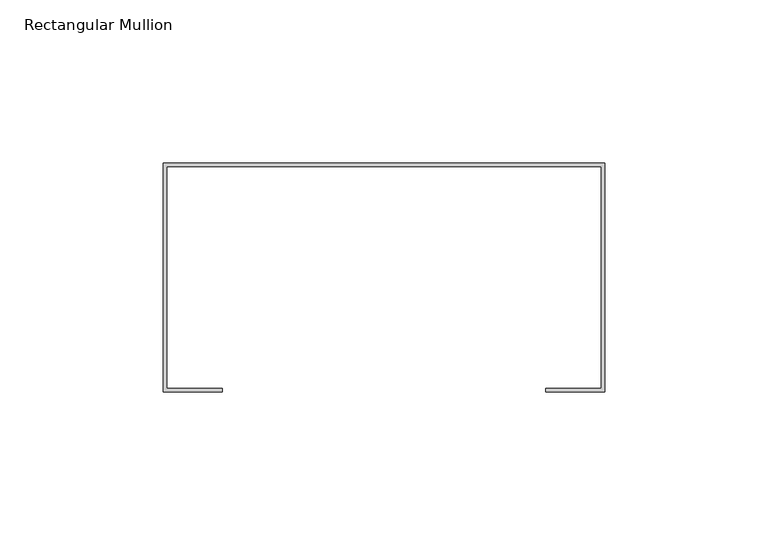
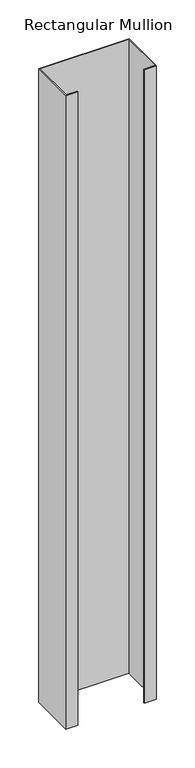
"""IFC4 building model written with IfcOpenShell, lengths in millimetres: member geometry, Rectangular Mullion."""

from ifc_helpers import new_model, si_unit, frame, origin, place, context, project, spatial, polyline, outline, extrude, source, transform, mapped, element, save


def rectangular_mullion_d1365b00(model_context):
    return source(origin(), model_context, "Body", "SweptSolid", [
        extrude(outline(polyline([(-67.5, -24.9842182), (67.5, -24.9842182), (67.5, -94.9842182), (49.5, -94.9842182), (49.5, -93.9842182), (66.5, -93.9842182), (66.5, -25.9842182), (-66.5, -25.9842182), (-66.5, -93.9842182), (-49.5, -93.9842182), (-49.5, -94.9842182), (-67.5, -94.9842182), (-67.5, -24.9842182)])), frame((0.0, 0.0, -1000.0), z_axis=(0.0, 0.0, 1.0), x_axis=(1.0, 0.0, 0.0)), (0.0, 0.0, 1.0), 1000.0),
    ])


if __name__ == "__main__":
    model = new_model("IFC4")
    model_context = context("Model", 3, world=origin())
    ifc_project = project(units=[si_unit("LENGTHUNIT", "METRE", prefix="MILLI")], contexts=[model_context])
    site = spatial("IfcSite", under=ifc_project)
    building = spatial("IfcBuilding", under=site)
    placement = place(None, origin())
    rectangular_mullion_shape = rectangular_mullion_d1365b00(model_context)
    element("IfcMember", 1, ObjectType="Rectangular Mullion", at=placement, inside=building, context=model_context, shape_type="MappedRepresentation", body=[
        mapped(rectangular_mullion_shape, transform((0.0, 0.0, 0.0), x_axis=(1.0, 0.0, 0.0), y_axis=(0.0, 1.0, 0.0), z_axis=(0.0, 0.0, 1.0))),
    ])
    save(model, "model.ifc")
